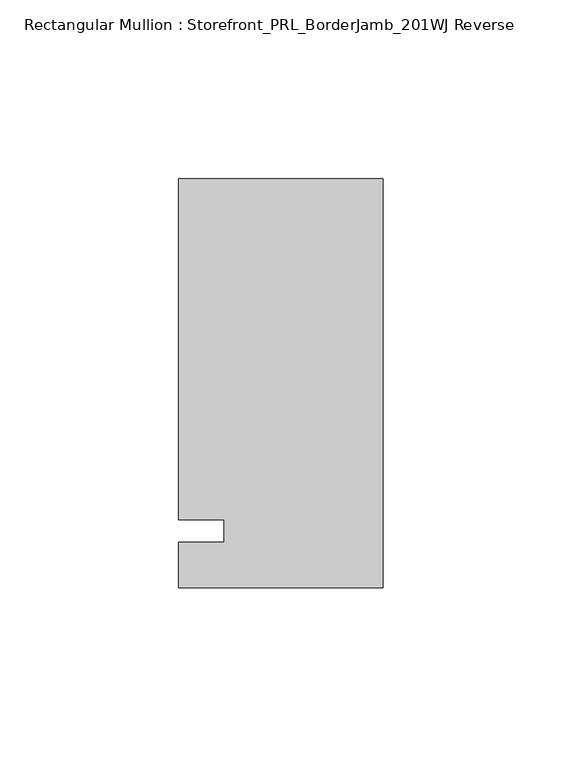
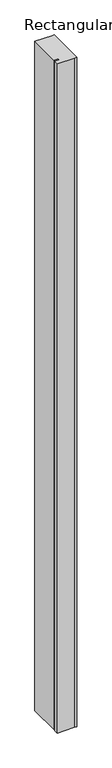
"""IFC4 building model written with IfcOpenShell, lengths in millimetres: member geometry, Rectangular Mullion : Storefront_PRL_BorderJamb_201WJ Reverse."""

from ifc_helpers import new_model, si_unit, frame, origin, place, context, project, spatial, polyline, outline, extrude, source, transform, mapped, element, save


def rectangular_mullion_storefront_prl_borderjamb_201wj_reverse_0eb49655(model_context):
    return source(origin(), model_context, "Body", "SweptSolid", [
        extrude(outline(polyline([(-44.45, 3.175), (-57.15, 3.175), (-57.15, 98.425), (-6.35, 98.425), (0.0, 98.425), (0.0, -15.875), (-7.3958824, -15.875), (-57.15, -15.875), (-57.15, -3.175), (-44.45, -3.175), (-44.45, 3.175)])), frame((0.0, 0.0, -2072.48125), z_axis=(0.0, 0.0, 1.0), x_axis=(1.0, 0.0, 0.0)), (0.0, 0.0, 1.0), 2072.48125),
    ])


if __name__ == "__main__":
    model = new_model("IFC4")
    model_context = context("Model", 3, world=origin())
    ifc_project = project(units=[si_unit("LENGTHUNIT", "METRE", prefix="MILLI")], contexts=[model_context])
    site = spatial("IfcSite", under=ifc_project)
    building = spatial("IfcBuilding", under=site)
    placement = place(None, origin())
    rectangular_mullion_storefront_prl_borderjamb_201wj_reverse_shape = rectangular_mullion_storefront_prl_borderjamb_201wj_reverse_0eb49655(model_context)
    element("IfcMember", 1, ObjectType="Rectangular Mullion : Storefront_PRL_BorderJamb_201WJ Reverse", at=placement, inside=building, context=model_context, shape_type="MappedRepresentation", body=[
        mapped(rectangular_mullion_storefront_prl_borderjamb_201wj_reverse_shape, transform((0.0, 0.0, 0.0), x_axis=(1.0, 0.0, 0.0), y_axis=(0.0, 1.0, 0.0), z_axis=(0.0, 0.0, 1.0))),
    ])
    save(model, "model.ifc")
